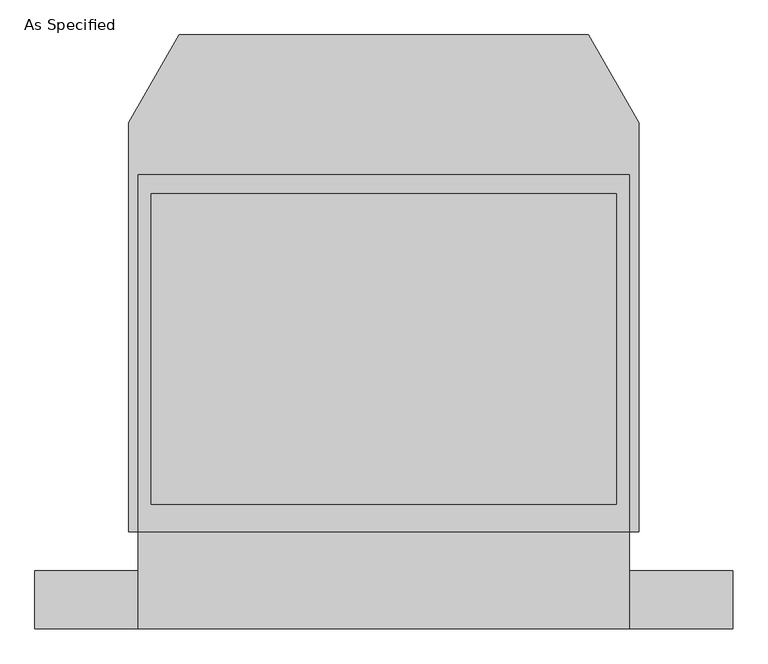
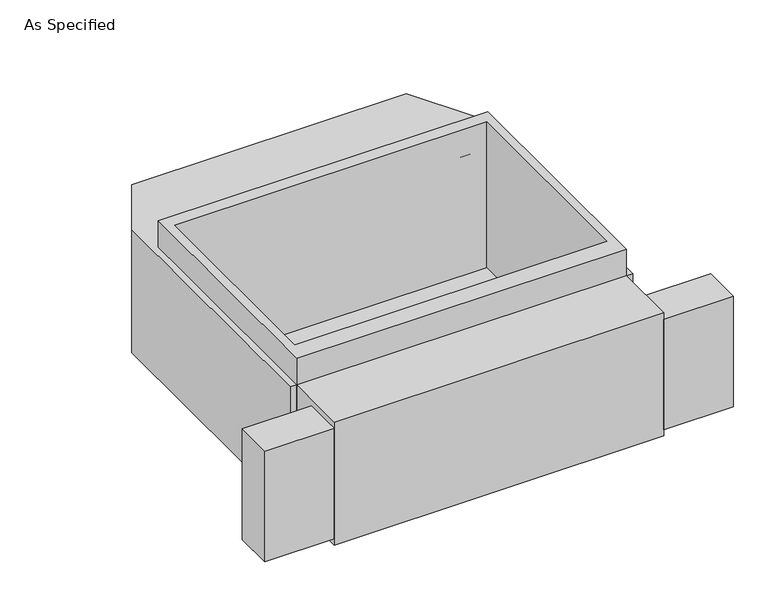
"""IFC4 building model written with IfcOpenShell, lengths in millimetres: proxy geometry, As Specified."""

from ifc_helpers import new_model, si_unit, frame, origin, place, context, project, spatial, polyline, outline, extrude, faceted_brep, source, transform, mapped, element, save


def as_specified_72b747ad(model_context):
    return source(origin(), model_context, "Body", "SolidModel", [
        extrude(outline(polyline([(965.2, -1166.5148438), (965.2, -937.9148438), (1371.6, -937.9148438), (1371.6, -1166.5148438), (965.2, -1166.5148438)])), frame((0.0, 0.0, -749.3), z_axis=(0.0, 0.0, 1.0), x_axis=(1.0, 0.0, 0.0)), (0.0, 0.0, 1.0), 685.8),
        extrude(outline(polyline([(-965.2, -1166.5148438), (-1371.6, -1166.5148438), (-1371.6, -937.9148438), (-965.2, -937.9148438), (-965.2, -1166.5148438)])), frame((0.0, 0.0, -749.3), z_axis=(0.0, 0.0, 1.0), x_axis=(1.0, 0.0, 0.0)), (0.0, 0.0, 1.0), 685.8),
        extrude(outline(polyline([(965.2, 617.8351562), (965.2, -785.5148438), (-965.2, -785.5148438), (-965.2, 617.8351562), (965.2, 617.8351562)]), holes=[polyline([(-914.4, 541.6748437), (-914.4, -677.5251563), (914.4, -677.5251563), (914.4, 541.6748437), (-914.4, 541.6748437)])]), frame((0.0, 0.0, -762.0), z_axis=(0.0, 0.0, 1.0), x_axis=(1.0, 0.0, 0.0)), (0.0, 0.0, 1.0), 901.7),
        faceted_brep([(965.2, -1166.5148438, -787.4), (-965.2, -1166.5148438, -787.4), (-965.2, -785.5148438, -787.4), (-1003.3, -785.5148438, -787.4), (-1003.3, 821.0748437, -787.4), (-803.860123, 1166.5148437, -787.4), (803.860123, 1166.5148437, -787.4), (1003.3, 821.0748437, -787.4), (1003.3, -785.5148438, -787.4), (965.2, -785.5148438, -787.4), (965.2, -1166.5148438, -25.4), (965.2, -785.5148438, -25.4), (1003.3, -785.5148438, -25.4), (1003.3, 821.0748437, -25.4), (803.860123, 1166.5148437, -25.4), (-803.860123, 1166.5148437, -25.4), (-1003.3, 821.0748437, -25.4), (-1003.3, -785.5148438, -25.4), (-965.2, -785.5148438, -25.4), (-965.2, -1166.5148438, -25.4), (914.4, 541.6748437, -25.4), (914.4, -677.5251563, -25.4), (-914.4, -677.5251563, -25.4), (-914.4, 541.6748437, -25.4), (914.4, 541.6748437, -762.0), (-914.4, 541.6748437, -762.0), (-914.4, -677.5251563, -762.0), (914.4, -677.5251563, -762.0)], [[[0, 1, 2, 3, 4, 5, 6, 7, 8, 9]], [[10, 11, 12, 13, 14, 15, 16, 17, 18, 19], [20, 21, 22, 23]], [[6, 5, 15, 14]], [[3, 17, 16, 4]], [[17, 3, 2, 18]], [[8, 12, 11, 9]], [[12, 8, 7, 13]], [[0, 9, 11, 10]], [[2, 1, 19, 18]], [[1, 0, 10, 19]], [[5, 4, 16, 15]], [[7, 6, 14, 13]], [[24, 25, 26, 27]], [[24, 27, 21, 20]], [[27, 26, 22, 21]], [[26, 25, 23, 22]], [[25, 24, 20, 23]]]),
    ])


if __name__ == "__main__":
    model = new_model("IFC4")
    model_context = context("Model", 3, world=origin())
    ifc_project = project(units=[si_unit("LENGTHUNIT", "METRE", prefix="MILLI")], contexts=[model_context])
    site = spatial("IfcSite", under=ifc_project)
    building = spatial("IfcBuilding", under=site)
    placement = place(None, origin())
    as_specified_shape = as_specified_72b747ad(model_context)
    element("IfcBuildingElementProxy", 1, Name="As Specified", ObjectType="As Specified", at=placement, inside=building, context=model_context, shape_type="MappedRepresentation", body=[
        mapped(as_specified_shape, transform((0.0, 0.0, 0.0), x_axis=(1.0, 0.0, 0.0), y_axis=(0.0, 1.0, 0.0), z_axis=(0.0, 0.0, 1.0))),
    ])
    save(model, "model.ifc")
